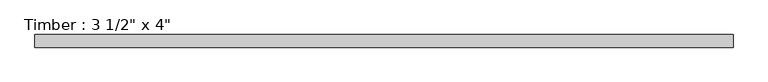
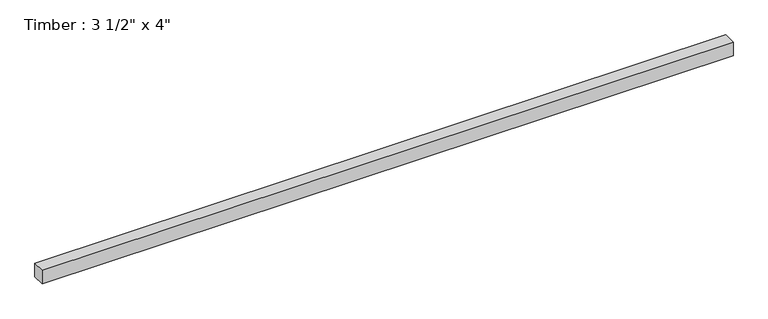
"""IFC4 building model written with IfcOpenShell, lengths in millimetres: beam geometry."""

from ifc_helpers import new_model, si_unit, frame, origin, place, context, project, spatial, polyline, outline, extrude, source, transform, mapped, element, save


def beam_c0782caa(model_context):
    return source(origin(), model_context, "Body", "SweptSolid", [
        extrude(outline(polyline([(2451.413931, 44.45), (2451.413931, -44.45), (-2451.413931, -44.45), (-2451.413931, 44.45), (2451.413931, 44.45)])), frame((0.0, 0.0, -50.8), z_axis=(0.0, 0.0, 1.0), x_axis=(1.0, 0.0, 0.0)), (0.0, 0.0, 1.0), 101.6),
    ])


if __name__ == "__main__":
    model = new_model("IFC4")
    model_context = context("Model", 3, world=origin())
    ifc_project = project(units=[si_unit("LENGTHUNIT", "METRE", prefix="MILLI")], contexts=[model_context])
    site = spatial("IfcSite", under=ifc_project)
    building = spatial("IfcBuilding", under=site)
    placement = place(None, origin())
    beam_shape = beam_c0782caa(model_context)
    element("IfcBeam", 1, ObjectType="Timber : 3 1/2\" x 4\"", at=placement, inside=building, context=model_context, shape_type="MappedRepresentation", body=[
        mapped(beam_shape, transform((0.0, 0.0, 0.0), x_axis=(1.0, 0.0, 0.0), y_axis=(0.0, 1.0, 0.0), z_axis=(0.0, 0.0, 1.0))),
    ])
    save(model, "model.ifc")
